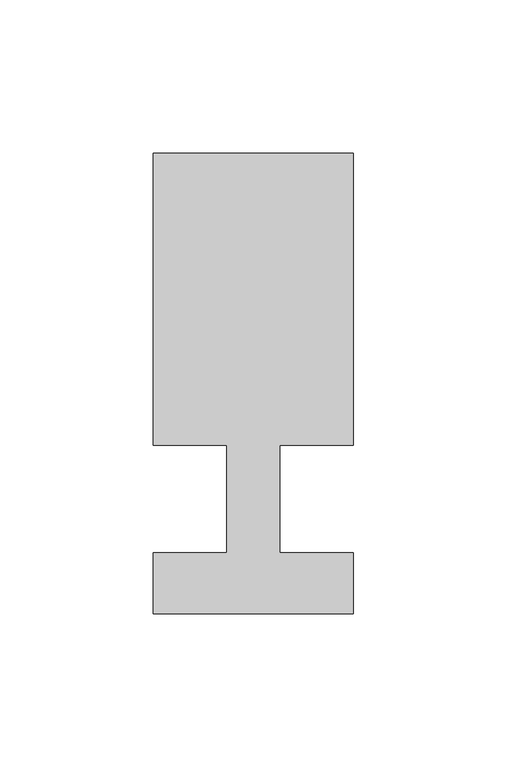
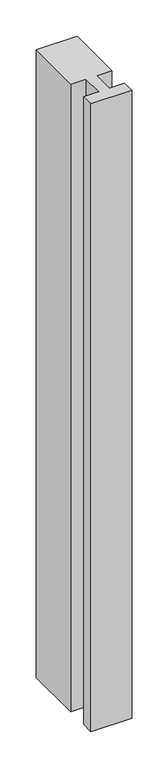
"""IFC4 building model written with IfcOpenShell, lengths in millimetres: member geometry."""

from ifc_helpers import new_model, si_unit, frame, origin, place, context, project, spatial, polyline, outline, extrude, source, transform, mapped, element, save


def member_017bb80a(model_context):
    return source(origin(), model_context, "Body", "SweptSolid", [
        extrude(outline(polyline([(-65.0, -37.0), (-65.0, -17.0), (-41.1875, -17.0), (-41.1875, 18.0), (-65.0, 18.0), (-65.0, 113.0), (0.0, 113.0), (0.0, 18.0), (-23.8125, 18.0), (-23.8125, -17.0), (0.0, -17.0), (0.0, -37.0), (-65.0, -37.0)])), frame((0.0, 0.0, -1055.0), z_axis=(0.0, 0.0, 1.0), x_axis=(1.0, 0.0, 0.0)), (0.0, 0.0, 1.0), 1055.0),
    ])


if __name__ == "__main__":
    model = new_model("IFC4")
    model_context = context("Model", 3, world=origin())
    ifc_project = project(units=[si_unit("LENGTHUNIT", "METRE", prefix="MILLI")], contexts=[model_context])
    site = spatial("IfcSite", under=ifc_project)
    building = spatial("IfcBuilding", under=site)
    placement = place(None, origin())
    member_shape = member_017bb80a(model_context)
    element("IfcMember", 1, at=placement, inside=building, context=model_context, shape_type="MappedRepresentation", body=[
        mapped(member_shape, transform((0.0, 0.0, 0.0), x_axis=(1.0, 0.0, 0.0), y_axis=(0.0, 1.0, 0.0), z_axis=(0.0, 0.0, 1.0))),
    ])
    save(model, "model.ifc")
